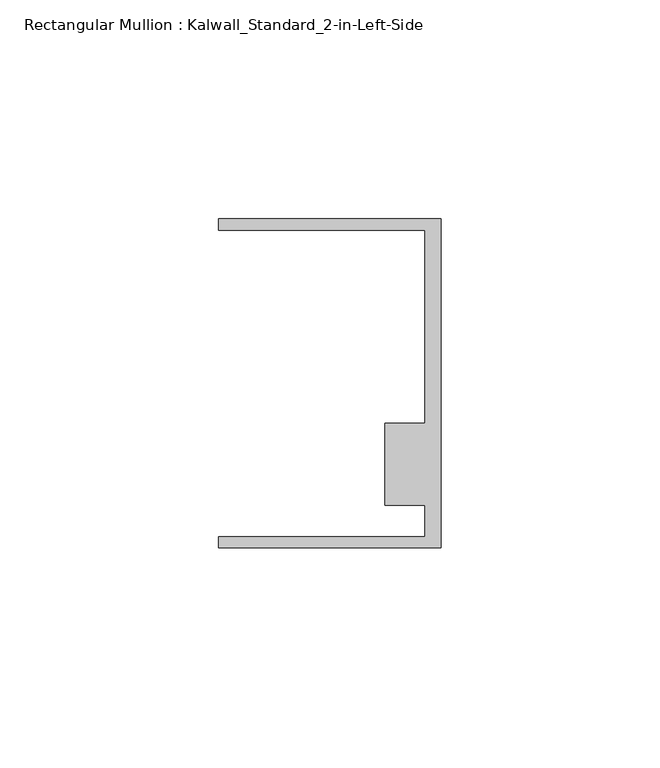
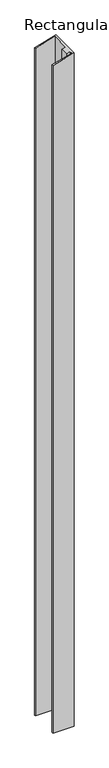
"""IFC4 building model written with IfcOpenShell, lengths in millimetres: member geometry, Rectangular Mullion : Kalwall_Standard_2-in-Left-Side."""

from ifc_helpers import new_model, si_unit, origin, place, context, project, spatial, faceted_brep, source, transform, mapped, element, save


def rectangular_mullion_kalwall_standard_2_in_left_side_b0e0fd09(model_context):
    return source(origin(), model_context, "Body", "Brep", [
        faceted_brep([(0.0, -37.5776386, -1701.9562871), (-50.8, -37.5776386, -1701.9562871), (-50.8, -35.0376386, -1701.9562871), (-3.7084, -35.0376386, -1701.9562871), (-3.7084, -27.8888568, -1701.9562871), (-12.8272539, -27.8888568, -1701.9562871), (-12.8272539, -9.1879886, -1701.9562871), (-3.7084, -9.1879886, -1701.9562871), (-3.7084, 34.9623614, -1701.9562871), (-50.8, 34.9623614, -1701.9562871), (-50.8, 37.5023614, -1701.9562871), (0.0, 37.5023614, -1701.9562871), (0.0, 37.5023614, 0.0), (0.0, -37.5776386, 0.0), (-50.8, 37.5023614, -14.1006405), (-50.8, 34.9623614, -14.1006405), (-3.7084, 34.9623614, -1.0293468), (-3.7084, -9.1879886, -1.0293468), (-12.8272539, -9.1879886, -3.5604822), (-12.8272539, -27.8888568, -3.5604822), (-3.7084, -27.8888568, -1.0293468), (-3.7084, -35.0376386, -1.0293468), (-50.8, -35.0376386, -14.1006405), (-50.8, -37.5776386, -14.1006405)], [[[0, 1, 2, 3, 4, 5, 6, 7, 8, 9, 10, 11]], [[12, 13, 0, 11]], [[14, 12, 11, 10]], [[15, 14, 10, 9]], [[16, 15, 9, 8]], [[17, 16, 8, 7]], [[18, 17, 7, 6]], [[19, 18, 6, 5]], [[20, 19, 5, 4]], [[21, 20, 4, 3]], [[22, 21, 3, 2]], [[23, 22, 2, 1]], [[13, 23, 1, 0]], [[13, 12, 14, 15, 16, 17, 18, 19, 20, 21, 22, 23]]]),
    ])


if __name__ == "__main__":
    model = new_model("IFC4")
    model_context = context("Model", 3, world=origin())
    ifc_project = project(units=[si_unit("LENGTHUNIT", "METRE", prefix="MILLI")], contexts=[model_context])
    site = spatial("IfcSite", under=ifc_project)
    building = spatial("IfcBuilding", under=site)
    placement = place(None, origin())
    rectangular_mullion_kalwall_standard_2_in_left_side_shape = rectangular_mullion_kalwall_standard_2_in_left_side_b0e0fd09(model_context)
    element("IfcMember", 1, ObjectType="Rectangular Mullion : Kalwall_Standard_2-in-Left-Side", at=placement, inside=building, context=model_context, shape_type="MappedRepresentation", body=[
        mapped(rectangular_mullion_kalwall_standard_2_in_left_side_shape, transform((0.0, 0.0, 0.0), x_axis=(1.0, 0.0, 0.0), y_axis=(0.0, 1.0, 0.0), z_axis=(0.0, 0.0, 1.0))),
    ])
    save(model, "model.ifc")
